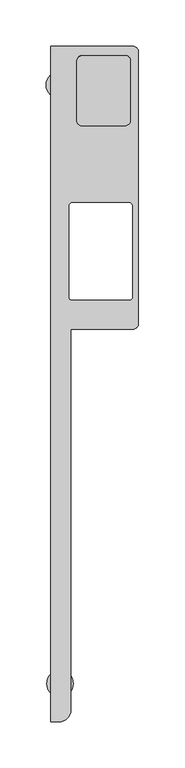
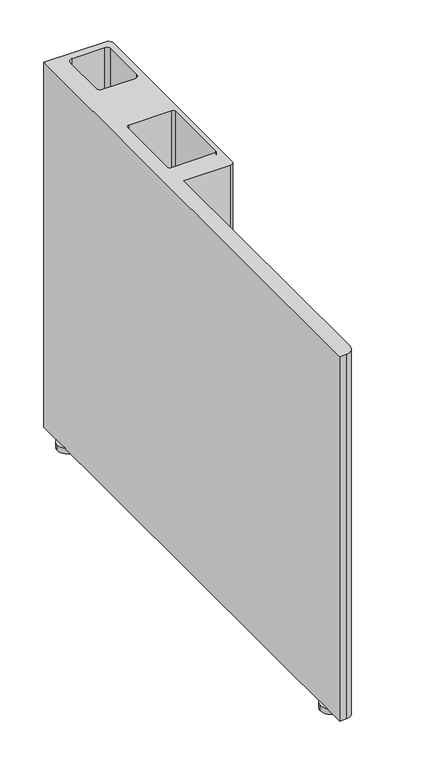
"""IFC4 building model written with IfcOpenShell, lengths in millimetres: furniture geometry."""

import ifcopenshell
import ifcopenshell.guid

model = None  # the IFC model being written
_history = None  # IfcOwnerHistory: only IFC2X3 demands one
_inside = {}  # id of a spatial element -> (the spatial element, [elements in it])
_under = {}  # id of a project, library or spatial element -> (it, [spatial elements below it])
_declared = {}  # id of a project -> (the project, [libraries it declares])
_typed = {}  # id of a type object -> (the type object, [elements of that type])
_made_of = {}  # id of a material, layer set ... -> (it, [elements and type objects made of it])


def new_model(schema):
    """Start an empty IFC model of exactly this schema.

    Asked for "IFC4X3", IfcOpenShell would pick the latest addendum, in which some entities
    have other attributes; the version numbers below select the first issue.
    IFC2X3 requires an IfcOwnerHistory on every rooted entity: one is made here for all.
    """
    global model, _history
    if schema == "IFC4X3":
        model = ifcopenshell.file(schema_version=(4, 3, 0, 0))
    else:
        model = ifcopenshell.file(schema=schema)
    _inside.clear()
    _under.clear()
    _declared.clear()
    _typed.clear()
    _made_of.clear()
    _history = None
    if model.schema == "IFC2X3":
        org = make("IfcOrganization", Name="unknown")
        user = make(
            "IfcPersonAndOrganization",
            ThePerson=make("IfcPerson", FamilyName="unknown"),
            TheOrganization=org,
        )
        app = make(
            "IfcApplication",
            ApplicationDeveloper=org,
            Version="unknown",
            ApplicationFullName="unknown",
            ApplicationIdentifier="unknown",
        )
        _history = make(
            "IfcOwnerHistory",
            OwningUser=user,
            OwningApplication=app,
            ChangeAction="ADDED",
            CreationDate=0,
        )
    return model


def make(cls, **values):
    """One entity of the class cls with the attributes given. An attribute that is None is left unset."""
    return model.create_entity(
        cls, **{name: value for name, value in values.items() if value is not None}
    )


def rooted(cls, **values):
    """An entity with a GlobalId (a new one), such as an element, a storey or a relation."""
    return make(cls, GlobalId=ifcopenshell.guid.new(), OwnerHistory=_history, **values)


def si_unit(unit_type, name, prefix=None):
    """IfcSIUnit, for example si_unit("LENGTHUNIT", "METRE", prefix="MILLI")."""
    return make("IfcSIUnit", UnitType=unit_type, Prefix=prefix, Name=name)


def assignment(units):
    """IfcUnitAssignment: the units of a project."""
    return None if units is None else make("IfcUnitAssignment", Units=units)


def point(xyz):
    """IfcCartesianPoint."""
    return None if xyz is None else make("IfcCartesianPoint", Coordinates=xyz)


def direction(xyz):
    """IfcDirection."""
    return None if xyz is None else make("IfcDirection", DirectionRatios=xyz)


def frame(location, z_axis=None, x_axis=None):
    """IfcAxis2Placement3D, a coordinate frame: its origin and axes. An axis left out is left unset."""
    return make(
        "IfcAxis2Placement3D",
        Location=point(location),
        Axis=direction(z_axis),
        RefDirection=direction(x_axis),
    )


def frame_2d(location, x_axis=None):
    """IfcAxis2Placement2D, a coordinate frame in the plane: its origin and x axis."""
    return make(
        "IfcAxis2Placement2D", Location=point(location), RefDirection=direction(x_axis)
    )


def origin():
    """The frame at (0, 0, 0) with its axes left unset."""
    return frame((0.0, 0.0, 0.0))


def origin_with_axes():
    """The frame at (0, 0, 0) with the z axis (0, 0, 1) and the x axis (1, 0, 0) written out."""
    return frame((0.0, 0.0, 0.0), z_axis=(0.0, 0.0, 1.0), x_axis=(1.0, 0.0, 0.0))


def place(relative_to, where):
    """IfcLocalPlacement: puts the frame where relative to a parent placement (None: the world)."""
    return make(
        "IfcLocalPlacement", PlacementRelTo=relative_to, RelativePlacement=where
    )


def context(
    kind, dimensions, precision=None, world=None, true_north=None, identifier=None
):
    """IfcGeometricRepresentationContext, for example the 3D "Model" context."""
    return make(
        "IfcGeometricRepresentationContext",
        ContextIdentifier=identifier,
        ContextType=kind,
        CoordinateSpaceDimension=dimensions,
        Precision=precision,
        WorldCoordinateSystem=world,
        TrueNorth=true_north,
    )


def project(units=None, contexts=None):
    """IfcProject with its units and contexts."""
    return rooted(
        "IfcProject",
        Name="project",
        RepresentationContexts=contexts,
        UnitsInContext=assignment(units),
    )


def spatial(cls, under=None, at=None, **own):
    """A site, building, storey or space (cls), placed at a placement, below another one or the project."""
    s = rooted(cls, ObjectPlacement=at, **own)
    if under is not None:
        _under.setdefault(under.id(), (under, []))[1].append(s)
    return s


def polyline(points):
    """IfcPolyline through the points."""
    return make("IfcPolyline", Points=[point(p) for p in points])


def circle_curve(where, radius):
    """IfcCircle in the frame where."""
    return make("IfcCircle", Position=where, Radius=radius)


def trimmed(basis, trim1, trim2, sense, master):
    """IfcTrimmedCurve: the piece of a basis curve between two trims."""
    return make(
        "IfcTrimmedCurve",
        BasisCurve=basis,
        Trim1=trim1,
        Trim2=trim2,
        SenseAgreement=sense,
        MasterRepresentation=master,
    )


def segment(curve, same_sense, transition):
    """IfcCompositeCurveSegment."""
    return make(
        "IfcCompositeCurveSegment",
        Transition=transition,
        SameSense=same_sense,
        ParentCurve=curve,
    )


def composite_curve(segments, self_intersect=None):
    """IfcCompositeCurve: segments joined end to end."""
    return make("IfcCompositeCurve", Segments=segments, SelfIntersect=self_intersect)


def outline(outer, holes=None, kind="AREA"):
    """IfcArbitraryClosedProfileDef: a profile drawn as a closed curve; with holes, ...WithVoids."""
    if holes is None:
        return make("IfcArbitraryClosedProfileDef", ProfileType=kind, OuterCurve=outer)
    return make(
        "IfcArbitraryProfileDefWithVoids",
        ProfileType=kind,
        OuterCurve=outer,
        InnerCurves=holes,
    )


def extrude(swept, where, along, depth):
    """IfcExtrudedAreaSolid: the profile swept, set in the frame where, extruded along a direction by depth."""
    return make(
        "IfcExtrudedAreaSolid",
        SweptArea=swept,
        Position=where,
        ExtrudedDirection=direction(along),
        Depth=depth,
    )


def shape(context_of_items, identifier, shape_type, items):
    """IfcShapeRepresentation: the items that make up one representation, for example the "Body"."""
    return make(
        "IfcShapeRepresentation",
        ContextOfItems=context_of_items,
        RepresentationIdentifier=identifier,
        RepresentationType=shape_type,
        Items=items,
    )


def source(mapping_origin, context_of_items, identifier, shape_type, items):
    """IfcRepresentationMap: a shape defined once, which mapped items show again and again."""
    return make(
        "IfcRepresentationMap",
        MappingOrigin=mapping_origin,
        MappedRepresentation=shape(context_of_items, identifier, shape_type, items),
    )


def transform(
    local_origin,
    x_axis=None,
    y_axis=None,
    z_axis=None,
    scale=None,
    scale2=None,
    scale3=None,
    uniform=True,
):
    """IfcCartesianTransformationOperator3D, or its non-uniform kind. x_axis, y_axis, z_axis: its Axis1, 2, 3."""
    if uniform:
        return make(
            "IfcCartesianTransformationOperator3D",
            Axis1=direction(x_axis),
            Axis2=direction(y_axis),
            LocalOrigin=point(local_origin),
            Scale=scale,
            Axis3=direction(z_axis),
        )
    return make(
        "IfcCartesianTransformationOperator3DnonUniform",
        Axis1=direction(x_axis),
        Axis2=direction(y_axis),
        LocalOrigin=point(local_origin),
        Scale=scale,
        Axis3=direction(z_axis),
        Scale2=scale2,
        Scale3=scale3,
    )


def mapped(mapping_source, mapping_target):
    """IfcMappedItem: shows the shape of a source again, moved by a transform."""
    return make(
        "IfcMappedItem", MappingSource=mapping_source, MappingTarget=mapping_target
    )


def made_of(thing, what):
    """Note that an element or type object is made of a material, layer set ...; save() writes the relation."""
    if what is not None:
        _made_of.setdefault(what.id(), (what, []))[1].append(thing)
    return thing


def element(
    cls,
    number,
    at=None,
    inside=None,
    cuts=None,
    type_object=None,
    material=None,
    context=None,
    identifier="Body",
    shape_type=None,
    held_by="IfcProductDefinitionShape",
    body=None,
    shapes=None,
    **own,
):
    """One element of the class cls, such as IfcWall. Its Tag is "e" and its number.

    at: its placement. inside: the storey or other place that contains it. cuts: it is an
    opening in that element (IfcRelVoidsElement). A single representation is given by context,
    identifier, shape_type and body (its items); several are given by shapes. held_by: the class
    of the entity that holds the representations. save() writes the other relations.
    """
    e = rooted(cls, Tag="e%d" % number, ObjectPlacement=at, **own)
    if body is not None:
        shapes = [shape(context, identifier, shape_type, body)]
    if shapes is not None:
        e.Representation = make(held_by, Representations=shapes)
    if inside is not None:
        _inside.setdefault(inside.id(), (inside, []))[1].append(e)
    if cuts is not None:
        rooted(
            "IfcRelVoidsElement", RelatingBuildingElement=cuts, RelatedOpeningElement=e
        )
    if type_object is not None:
        _typed.setdefault(type_object.id(), (type_object, []))[1].append(e)
    return made_of(e, material)


def aggregate(whole, parts):
    """IfcRelAggregates: a whole, such as a stair, and the parts it consists of."""
    return rooted("IfcRelAggregates", RelatingObject=whole, RelatedObjects=parts)


def save(model, path):
    """Write the relations noted so far, then the file.

    IfcRelAggregates (storeys below a building ...), IfcRelContainedInSpatialStructure (elements
    in a storey), IfcRelDefinesByType, IfcRelAssociatesMaterial and IfcRelDeclares: one each for
    every whole, place, type object, material and project.
    """
    for whole, parts in _under.values():
        aggregate(whole, parts)
    for where, things in _inside.values():
        rooted(
            "IfcRelContainedInSpatialStructure",
            RelatedElements=things,
            RelatingStructure=where,
        )
    for kind, things in _typed.values():
        rooted("IfcRelDefinesByType", RelatedObjects=things, RelatingType=kind)
    for what, things in _made_of.values():
        rooted("IfcRelAssociatesMaterial", RelatedObjects=things, RelatingMaterial=what)
    for by, libraries in _declared.values():
        rooted("IfcRelDeclares", RelatingContext=by, RelatedDefinitions=libraries)
    model.write(path)


def plane_surface(at):
    """IfcPlane: the flat surface through the origin of the frame at, square to its z axis."""
    return make("IfcPlane", Position=at)


def cylinder_surface(at, radius):
    """IfcCylindricalSurface: all points at the distance radius from the z axis of the frame at."""
    return make("IfcCylindricalSurface", Position=at, Radius=radius)


def revolved_surface(curve, axis_point, axis_direction):
    """IfcSurfaceOfRevolution: the curve turned about the line through axis_point along axis_direction."""
    return make(
        "IfcSurfaceOfRevolution",
        SweptCurve=make("IfcArbitraryOpenProfileDef", ProfileType="CURVE", Curve=curve),
        AxisPosition=make("IfcAxis1Placement", Location=point(axis_point), Axis=direction(axis_direction)),
    )


def advanced_brep(points, edges, surfaces, faces):
    """IfcAdvancedBrep: a solid bounded by faces that lie on surfaces and meet in shared edges.

    An edge is (start, end): straight between two places in points (the first is 0);
    or (start, end, curve); or (start, end, curve, False) where it runs against its curve.
    A face is (place in surfaces, loops), or (place, loops, False) where it looks against
    its surface's normal. A loop lists edges by number (the first is 1), with a minus sign
    where the edge is run from its end to its start. The first loop is the outer one.
    """
    corners = [point(p) for p in points]
    vertices = [make("IfcVertexPoint", VertexGeometry=c) for c in corners]
    made = []
    for start, end, *more in edges:
        made.append(
            make(
                "IfcEdgeCurve",
                EdgeStart=vertices[start],
                EdgeEnd=vertices[end],
                EdgeGeometry=more[0] if more else make("IfcPolyline", Points=[corners[start], corners[end]]),
                SameSense=more[1] if len(more) > 1 else True,
            )
        )
    hull = []
    for where, loops, *sense in faces:
        bounds = []
        for j, loop in enumerate(loops):
            ring = [make("IfcOrientedEdge", EdgeElement=made[abs(k) - 1], Orientation=k > 0) for k in loop]
            bounds.append(
                make(
                    "IfcFaceOuterBound" if j == 0 else "IfcFaceBound",
                    Bound=make("IfcEdgeLoop", EdgeList=ring),
                    Orientation=True,
                )
            )
        hull.append(make("IfcAdvancedFace", Bounds=bounds, FaceSurface=surfaces[where], SameSense=sense[0] if sense else True))
    return make("IfcAdvancedBrep", Outer=make("IfcClosedShell", CfsFaces=hull))


def furniture_395b7cc7(model_context):
    return source(origin(), model_context, "Body", "SolidModel", [
        extrude(outline(composite_curve([segment(trimmed(circle_curve(frame_2d((28.3915623, -10.3062049)), 14.4754228), [point((13.9161395, -10.3062049))], [point((42.8669851, -10.3062049))], False, "CARTESIAN"), True, "CONTINUOUS"), segment(trimmed(circle_curve(frame_2d((28.3915623, -10.3062049)), 14.4754228), [point((42.8669851, -10.3062049))], [point((13.9161395, -10.3062049))], False, "CARTESIAN"), True, "CONTINUOUS")], self_intersect=False)), origin_with_axes(), (0.0, 0.0, 1.0), 8.1739407),
        extrude(outline(composite_curve([segment(trimmed(circle_curve(frame_2d((29.0577024, -660.3091447)), 14.4044418), [point((14.6532607, -660.3091447))], [point((43.4621442, -660.3091447))], False, "CARTESIAN"), True, "CONTINUOUS"), segment(trimmed(circle_curve(frame_2d((29.0577024, -660.3091447)), 14.4044418), [point((43.4621442, -660.3091447))], [point((14.6532607, -660.3091447))], False, "CARTESIAN"), True, "CONTINUOUS")], self_intersect=False)), origin_with_axes(), (0.0, 0.0, 1.0), 8.1739407),
        advanced_brep(
        [(107.8951887, 31.8498576, 559.8089258), (18.7727033, 31.8498576, 559.8089258), (18.7727033, -701.8291424, 559.8089258), (28.1627072, -701.8291424, 559.8089258), (40.8627072, -689.1291424, 559.8089258), (40.8627072, -275.7441424, 559.8089258), (107.8951887, -275.7441424, 559.8089258), (114.2451887, -269.3941424, 559.8089258), (114.2451887, 25.4998576, 559.8089258), (39.0651982, -141.6158652, 559.8089258), (42.4419591, -138.2391042, 559.8089258), (103.9689592, -138.2391042, 559.8089258), (107.4651973, -141.7353424, 559.8089258), (107.4651973, -240.9237098, 559.8089258), (104.7498029, -243.6391042, 559.8089258), (41.7576689, -243.6391042, 559.8089258), (39.0651982, -240.9466335, 559.8089258), (105.5929188, -48.4366688, 559.8089258), (99.2429188, -54.7866688, 559.8089258), (52.8388068, -54.7866688, 559.8089258), (47.2182979, -49.1661599, 559.8089258), (47.2182979, 15.2361745, 559.8089258), (53.5682979, 21.5861745, 559.8089258), (99.8183237, 21.5861745, 559.8089258), (105.5929188, 15.8115793, 559.8089258), (107.8951887, 31.8498576, 8.1739407), (114.2451887, 25.4998576, 8.1739407), (114.2451887, -269.3941424, 8.1739407), (107.8951887, -275.7441424, 8.1739407), (40.8627072, -275.7441424, 8.1739407), (40.8627072, -689.1291424, 8.1739407), (28.1627072, -701.8291424, 8.1739407), (18.7727033, -701.8291424, 8.1739407), (18.7727033, 31.8498576, 8.1739407), (42.4419591, -138.2391042, 8.1739407), (39.0651982, -141.6158652, 8.1739407), (39.0651982, -240.9466335, 8.1739407), (41.7576689, -243.6391042, 8.1739407), (104.7498029, -243.6391042, 8.1739407), (107.4651973, -240.9237098, 8.1739407), (107.4651973, -141.7353424, 8.1739407), (103.9689592, -138.2391042, 8.1739407), (99.2429188, -54.7866688, 39.5010304), (105.5929188, -48.4366688, 39.5010304), (105.5929188, 15.8115793, 39.5010304), (99.8183237, 21.5861745, 39.5010304), (53.5682979, 21.5861745, 39.5010304), (47.2182979, 15.2361745, 39.5010304), (47.2182979, -49.1661599, 39.5010304), (52.8388068, -54.7866688, 39.5010304)],
        [
            (0, 1),
            (1, 2),
            (2, 3),
            (3, 4, circle_curve(frame((28.1627072, -689.1291424, 559.8089258), z_axis=(0.0, 0.0, 1.0), x_axis=(1.0, 0.0, 0.0)), 12.7)),
            (4, 5),
            (5, 6),
            (6, 7, circle_curve(frame((107.8951887, -269.3941424, 559.8089258), z_axis=(0.0, 0.0, 1.0), x_axis=(1.0, 0.0, 0.0)), 6.35)),
            (7, 8),
            (8, 0, circle_curve(frame((107.8951887, 25.4998576, 559.8089258), z_axis=(0.0, 0.0, 1.0), x_axis=(1.0, 0.0, 0.0)), 6.35)),
            (9, 10, circle_curve(frame((42.4419591, -141.6158652, 559.8089258), z_axis=(0.0, 0.0, -1.0), x_axis=(1.0, 0.0, 0.0)), 3.3767609)),
            (10, 11),
            (11, 12, circle_curve(frame((103.9689592, -141.7353424, 559.8089258), z_axis=(0.0, 0.0, -1.0), x_axis=(1.0, 0.0, 0.0)), 3.4962381)),
            (12, 13),
            (13, 14, circle_curve(frame((104.7498029, -240.9237098, 559.8089258), z_axis=(0.0, 0.0, -1.0), x_axis=(1.0, 0.0, 0.0)), 2.7153944)),
            (14, 15),
            (15, 16, circle_curve(frame((41.7576689, -240.9466335, 559.8089258), z_axis=(0.0, 0.0, -1.0), x_axis=(1.0, 0.0, 0.0)), 2.6924707)),
            (16, 9),
            (17, 18, circle_curve(frame((99.2429188, -48.4366688, 559.8089258), z_axis=(0.0, 0.0, -1.0), x_axis=(1.0, 0.0, 0.0)), 6.35)),
            (18, 19),
            (19, 20, circle_curve(frame((52.8388068, -49.1661599, 559.8089258), z_axis=(0.0, 0.0, -1.0), x_axis=(1.0, 0.0, 0.0)), 5.6205089)),
            (20, 21),
            (21, 22, circle_curve(frame((53.5682979, 15.2361745, 559.8089258), z_axis=(0.0, 0.0, -1.0), x_axis=(1.0, 0.0, 0.0)), 6.35)),
            (22, 23),
            (23, 24, circle_curve(frame((99.8183237, 15.8115793, 559.8089258), z_axis=(0.0, 0.0, -1.0), x_axis=(1.0, 0.0, 0.0)), 5.7745951)),
            (24, 17),
            (25, 26, circle_curve(frame((107.8951887, 25.4998576, 8.1739407), z_axis=(0.0, 0.0, -1.0), x_axis=(1.0, 0.0, 0.0)), 6.35)),
            (26, 27),
            (27, 28, circle_curve(frame((107.8951887, -269.3941424, 8.1739407), z_axis=(0.0, 0.0, -1.0), x_axis=(1.0, 0.0, 0.0)), 6.35)),
            (28, 29),
            (29, 30),
            (30, 31, circle_curve(frame((28.1627072, -689.1291424, 8.1739407), z_axis=(0.0, 0.0, -1.0), x_axis=(1.0, 0.0, 0.0)), 12.7)),
            (31, 32),
            (32, 33),
            (33, 25),
            (34, 35, circle_curve(frame((42.4419591, -141.6158652, 8.1739407), z_axis=(0.0, 0.0, 1.0), x_axis=(1.0, 0.0, 0.0)), 3.3767609)),
            (35, 36),
            (36, 37, circle_curve(frame((41.7576689, -240.9466335, 8.1739407), z_axis=(0.0, 0.0, 1.0), x_axis=(1.0, 0.0, 0.0)), 2.6924707)),
            (37, 38),
            (38, 39, circle_curve(frame((104.7498029, -240.9237098, 8.1739407), z_axis=(0.0, 0.0, 1.0), x_axis=(1.0, 0.0, 0.0)), 2.7153944)),
            (39, 40),
            (40, 41, circle_curve(frame((103.9689592, -141.7353424, 8.1739407), z_axis=(0.0, 0.0, 1.0), x_axis=(1.0, 0.0, 0.0)), 3.4962381)),
            (41, 34),
            (0, 25),
            (33, 1),
            (32, 2),
            (31, 3),
            (4, 30),
            (29, 5),
            (28, 6),
            (27, 7),
            (26, 8),
            (34, 10),
            (9, 35),
            (16, 36),
            (15, 37),
            (14, 38),
            (13, 39),
            (12, 40),
            (11, 41),
            (42, 43, circle_curve(frame((99.2429188, -48.4366688, 39.5010304), z_axis=(0.0, 0.0, 1.0), x_axis=(1.0, 0.0, 0.0)), 6.35)),
            (43, 44),
            (44, 45, circle_curve(frame((99.8183237, 15.8115793, 39.5010304), z_axis=(0.0, 0.0, 1.0), x_axis=(1.0, 0.0, 0.0)), 5.7745951)),
            (45, 46),
            (46, 47, circle_curve(frame((53.5682979, 15.2361745, 39.5010304), z_axis=(0.0, 0.0, 1.0), x_axis=(1.0, 0.0, 0.0)), 6.35)),
            (47, 48),
            (48, 49, circle_curve(frame((52.8388068, -49.1661599, 39.5010304), z_axis=(0.0, 0.0, 1.0), x_axis=(1.0, 0.0, 0.0)), 5.6205089)),
            (49, 42),
            (42, 18),
            (17, 43),
            (24, 44),
            (23, 45),
            (22, 46),
            (21, 47),
            (20, 48),
            (19, 49),
        ],
        [
            plane_surface(frame((18.7727033, 31.8498576, 559.8089258), z_axis=(0.0, 0.0, 1.0), x_axis=(-1.0, 0.0, 0.0))),
            plane_surface(frame((18.7727033, 31.8498576, 8.1739407), z_axis=(0.0, 0.0, -1.0), x_axis=(1.0, 0.0, 0.0))),
            plane_surface(frame((107.8951887, 31.8498576, 559.8089258), z_axis=(0.0, 1.0, 0.0), x_axis=(0.0, 0.0, -1.0))),
            plane_surface(frame((18.7727033, 31.8498576, 559.8089258), z_axis=(-1.0, 0.0, 0.0), x_axis=(0.0, 0.0, -1.0))),
            plane_surface(frame((18.7727033, -701.8291424, 559.8089258), z_axis=(0.0, -1.0, 0.0), x_axis=(0.0, 0.0, -1.0))),
            plane_surface(frame((40.8627072, -689.1291424, 559.8089258), z_axis=(1.0, 0.0, 0.0), x_axis=(0.0, 0.0, -1.0))),
            plane_surface(frame((40.8627072, -275.7441424, 559.8089258), z_axis=(0.0, -1.0, 0.0), x_axis=(0.0, 0.0, -1.0))),
            cylinder_surface(frame((107.8951887, -269.3941424, 8.1739407), z_axis=(0.0, 0.0, 1.0), x_axis=(1.0, 0.0, 0.0)), 6.35),
            plane_surface(frame((114.2451887, -269.3941424, 559.8089258), z_axis=(1.0, 0.0, 0.0), x_axis=(0.0, 0.0, -1.0))),
            cylinder_surface(frame((107.8951887, 25.4998576, 8.1739407), z_axis=(0.0, 0.0, 1.0), x_axis=(1.0, 0.0, 0.0)), 6.35),
            cylinder_surface(frame((28.1627072, -689.1291424, 8.1739407), z_axis=(0.0, 0.0, 1.0), x_axis=(1.0, 0.0, 0.0)), 12.7),
            revolved_surface(polyline([(45.81872, -141.6158652, 559.8089258), (45.81872, -141.6158652, 8.1739407)]), (42.4419591, -141.6158652, 8.1739407), (0.0, 0.0, 1.0)),
            plane_surface(frame((39.0651982, -141.6158652, 605.7532968), z_axis=(1.0, 0.0, 0.0), x_axis=(0.0, 0.0, -1.0))),
            revolved_surface(polyline([(44.4501396, -240.9466335, 559.8089258), (44.4501396, -240.9466335, 8.1739407)]), (41.7576689, -240.9466335, 8.1739407), (0.0, 0.0, 1.0)),
            plane_surface(frame((41.7576689, -243.6391042, 605.7532968), z_axis=(0.0, 1.0, 0.0), x_axis=(0.0, 0.0, -1.0))),
            revolved_surface(polyline([(107.4651973, -240.9237098, 559.8089258), (107.4651973, -240.9237098, 8.1739407)]), (104.7498029, -240.9237098, 8.1739407), (0.0, 0.0, 1.0)),
            plane_surface(frame((107.4651973, -240.9237098, 605.7532968), z_axis=(-1.0, 0.0, 0.0), x_axis=(0.0, 0.0, -1.0))),
            revolved_surface(polyline([(107.4651973, -141.7353424, 559.8089258), (107.4651973, -141.7353424, 8.1739407)]), (103.9689592, -141.7353424, 8.1739407), (0.0, 0.0, 1.0)),
            plane_surface(frame((103.9689592, -138.2391042, 605.7532968), z_axis=(0.0, -1.0, 0.0), x_axis=(0.0, 0.0, -1.0))),
            plane_surface(frame((105.5929188, -48.4366688, 39.5010304), z_axis=(0.0, 0.0, 1.0), x_axis=(0.0, -1.0, 0.0))),
            revolved_surface(polyline([(105.59291879999999, -48.4366688, 559.8089258), (105.59291879999999, -48.4366688, 39.5010304)]), (99.2429188, -48.4366688, 39.5010304), (0.0, 0.0, 1.0)),
            plane_surface(frame((105.5929188, -48.4366688, 597.4066154), z_axis=(-1.0, 0.0, 0.0), x_axis=(0.0, 0.0, -1.0))),
            revolved_surface(polyline([(105.59291879999999, 15.8115793, 559.8089258), (105.59291879999999, 15.8115793, 39.5010304)]), (99.8183237, 15.8115793, 39.5010304), (0.0, 0.0, 1.0)),
            plane_surface(frame((99.8183237, 21.5861745, 597.4066154), z_axis=(0.0, -1.0, 0.0), x_axis=(0.0, 0.0, -1.0))),
            revolved_surface(polyline([(59.9182979, 15.2361745, 559.8089258), (59.9182979, 15.2361745, 39.5010304)]), (53.5682979, 15.2361745, 39.5010304), (0.0, 0.0, 1.0)),
            plane_surface(frame((47.2182979, 15.2361745, 597.4066154), z_axis=(1.0, 0.0, 0.0), x_axis=(0.0, 0.0, -1.0))),
            revolved_surface(polyline([(58.4593157, -49.1661599, 559.8089258), (58.4593157, -49.1661599, 39.5010304)]), (52.8388068, -49.1661599, 39.5010304), (0.0, 0.0, 1.0)),
            plane_surface(frame((52.8388068, -54.7866688, 597.4066154), z_axis=(0.0, 1.0, 0.0), x_axis=(0.0, 0.0, -1.0))),
        ],
        [
            (0, [[1, 2, 3, 4, 5, 6, 7, 8, 9], [10, 11, 12, 13, 14, 15, 16, 17], [18, 19, 20, 21, 22, 23, 24, 25]]),
            (1, [[26, 27, 28, 29, 30, 31, 32, 33, 34], [35, 36, 37, 38, 39, 40, 41, 42]]),
            (2, [[-1, 43, -34, 44]]),
            (3, [[-2, -44, -33, 45]]),
            (4, [[-3, -45, -32, 46]]),
            (5, [[-5, 47, -30, 48]]),
            (6, [[-6, -48, -29, 49]]),
            (7, [[-7, -49, -28, 50]]),
            (8, [[-8, -50, -27, 51]]),
            (9, [[-9, -51, -26, -43]]),
            (10, [[-4, -46, -31, -47]]),
            (11, [[52, -10, 53, -35]]),
            (12, [[-53, -17, 54, -36]]),
            (13, [[-54, -16, 55, -37]]),
            (14, [[-55, -15, 56, -38]]),
            (15, [[-56, -14, 57, -39]]),
            (16, [[-57, -13, 58, -40]]),
            (17, [[-58, -12, 59, -41]]),
            (18, [[-52, -42, -59, -11]]),
            (19, [[60, 61, 62, 63, 64, 65, 66, 67]]),
            (20, [[-60, 68, -18, 69]]),
            (21, [[-61, -69, -25, 70]]),
            (22, [[-62, -70, -24, 71]]),
            (23, [[-63, -71, -23, 72]]),
            (24, [[-64, -72, -22, 73]]),
            (25, [[-65, -73, -21, 74]]),
            (26, [[-66, -74, -20, 75]]),
            (27, [[-67, -75, -19, -68]]),
        ],
    ),
    ])


if __name__ == "__main__":
    model = new_model("IFC4")
    model_context = context("Model", 3, world=origin())
    ifc_project = project(units=[si_unit("LENGTHUNIT", "METRE", prefix="MILLI")], contexts=[model_context])
    site = spatial("IfcSite", under=ifc_project)
    building = spatial("IfcBuilding", under=site)
    placement = place(None, origin())
    furniture_shape = furniture_395b7cc7(model_context)
    element("IfcFurniture", 1, at=placement, inside=building, context=model_context, shape_type="MappedRepresentation", body=[
        mapped(furniture_shape, transform((0.0, 0.0, 0.0), x_axis=(1.0, 0.0, 0.0), y_axis=(0.0, 1.0, 0.0), z_axis=(0.0, 0.0, 1.0))),
    ])
    save(model, "model.ifc")
